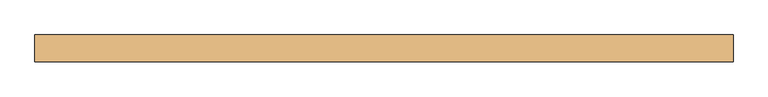
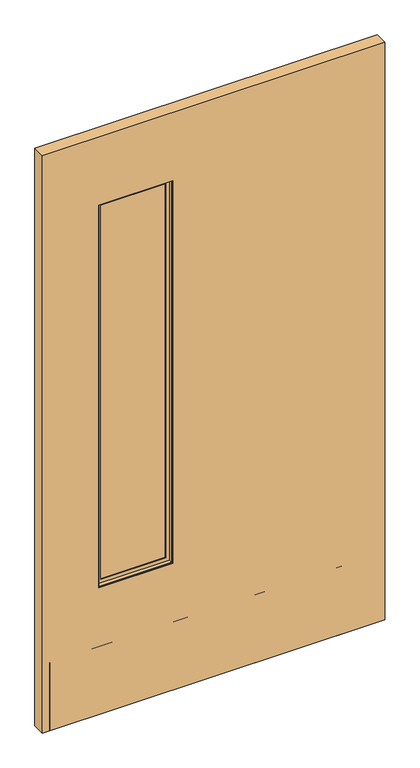
"""IFC4 building model written with IfcOpenShell, lengths in millimetres: door geometry."""

from ifc_helpers import new_model, si_unit, frame, origin, place, context, project, spatial, polyline, outline, extrude, faceted_brep, source, transform, mapped, element, save


def door_7840636e(model_context):
    return source(origin(), model_context, "Body", "SolidModel", [
        extrude(outline(polyline([(-143.7464326, 3.175), (-143.7464326, -3.175), (-405.3664326, -3.175), (-405.3664326, 3.175), (-143.7464326, 3.175)])), frame((0.0, 0.0, 486.1435027), z_axis=(0.0, 0.0, 1.0), x_axis=(1.0, 0.0, 0.0)), (0.0, 0.0, 1.0), 1430.02),
        faceted_brep([(-389.4758536, -3.797467, 1900.2729238), (-389.4758536, -6.9755828, 1900.2729238), (-389.4758536, -6.9755828, 502.0340817), (-389.4758536, -3.797467, 502.0340817), (-159.6370115, -6.9755828, 502.0340817), (-159.6370115, -3.797467, 502.0340817), (-146.9245484, -6.9755828, 489.3216185), (-146.9245484, -6.9755828, 1912.9853869), (-402.1883168, -6.9755828, 1912.9853869), (-402.1883168, -6.9755828, 489.3216185), (-159.6370115, -6.9755828, 1900.2729238), (-159.6370115, -3.797467, 1900.2729238), (-405.3664326, -3.797467, 486.1435027), (-405.3664326, -3.797467, 1916.1635027), (-143.7464326, -3.797467, 1916.1635027), (-143.7464326, -3.797467, 486.1435027), (-405.3664326, -19.688046, 1916.1635027), (-405.3664326, -19.688046, 486.1435027), (-143.7464326, -19.688046, 486.1435027), (-143.7464326, -19.688046, 1916.1635027), (-402.1883168, -19.688046, 489.3216185), (-402.1883168, -19.688046, 1912.9853869), (-146.9245484, -19.688046, 1912.9853869), (-146.9245484, -19.688046, 489.3216185)], [[[0, 1, 2, 3]], [[3, 2, 4, 5]], [[6, 7, 8, 9], [2, 1, 10, 4]], [[5, 4, 10, 11]], [[12, 13, 14, 15], [5, 11, 0, 3]], [[16, 13, 12, 17]], [[17, 12, 15, 18]], [[18, 15, 14, 19]], [[18, 19, 16, 17], [20, 21, 22, 23]], [[8, 21, 20, 9]], [[9, 20, 23, 6]], [[6, 23, 22, 7]], [[11, 10, 1, 0]], [[19, 14, 13, 16]], [[7, 22, 21, 8]]]),
        faceted_brep([(-402.1883168, 19.688046, 1912.9853869), (-402.1883168, 6.9755828, 1912.9853869), (-402.1883168, 6.9755828, 489.3216185), (-402.1883168, 19.688046, 489.3216185), (-146.9245484, 6.9755828, 489.3216185), (-146.9245484, 19.688046, 489.3216185), (-146.9245484, 6.9755828, 1912.9853869), (-159.6370115, 6.9755828, 502.0340817), (-159.6370115, 6.9755828, 1900.2729238), (-389.4758536, 6.9755828, 1900.2729238), (-389.4758536, 6.9755828, 502.0340817), (-146.9245484, 19.688046, 1912.9853869), (-405.3664326, 19.688046, 486.1435027), (-405.3664326, 19.688046, 1916.1635027), (-143.7464326, 19.688046, 1916.1635027), (-143.7464326, 19.688046, 486.1435027), (-405.3664326, 3.797467, 1916.1635027), (-405.3664326, 3.797467, 486.1435027), (-143.7464326, 3.797467, 486.1435027), (-143.7464326, 3.797467, 1916.1635027), (-389.4758536, 3.797467, 502.0340817), (-389.4758536, 3.797467, 1900.2729238), (-159.6370115, 3.797467, 1900.2729238), (-159.6370115, 3.797467, 502.0340817)], [[[0, 1, 2, 3]], [[3, 2, 4, 5]], [[2, 1, 6, 4], [7, 8, 9, 10]], [[5, 4, 6, 11]], [[12, 13, 14, 15], [5, 11, 0, 3]], [[16, 13, 12, 17]], [[17, 12, 15, 18]], [[18, 15, 14, 19]], [[18, 19, 16, 17], [20, 21, 22, 23]], [[9, 21, 20, 10]], [[10, 20, 23, 7]], [[7, 23, 22, 8]], [[11, 6, 1, 0]], [[19, 14, 13, 16]], [[8, 22, 21, 9]]]),
        extrude(outline(polyline([(2170.1635027, 604.7564326), (2170.1635027, -604.7564326), (12.7, -604.7564326), (12.7, 604.7564326), (2170.1635027, 604.7564326)]), holes=[polyline([(1916.1635027, -405.3664326), (1916.1635027, -143.7464326), (486.1435027, -143.7464326), (486.1435027, -405.3664326), (1916.1635027, -405.3664326)])]), frame((0.0, -23.114, 0.0), z_axis=(0.0, 1.0, 0.0), x_axis=(0.0, 0.0, 1.0)), (0.0, 0.0, 1.0), 46.228),
        extrude(outline(polyline([(579.3564326, -9.8925062), (579.3564326, -11.4927062), (-579.3564326, -11.4927062), (-579.3564326, -9.8925062), (579.3564326, -9.8925062)])), frame((0.0, 0.0, 12.7), z_axis=(0.0, 0.0, 1.0), x_axis=(1.0, 0.0, 0.0)), (0.0, 0.0, 1.0), 254.0),
        extrude(outline(polyline([(579.3564326, -21.5634094), (579.3564326, -23.114), (-579.3564326, -23.114), (-579.3564326, -21.5634094), (579.3564326, -21.5634094)])), frame((0.0, 0.0, 12.7), z_axis=(0.0, 0.0, 1.0), x_axis=(1.0, 0.0, 0.0)), (0.0, 0.0, 1.0), 254.0),
    ])


if __name__ == "__main__":
    model = new_model("IFC4")
    model_context = context("Model", 3, world=origin())
    ifc_project = project(units=[si_unit("LENGTHUNIT", "METRE", prefix="MILLI")], contexts=[model_context])
    site = spatial("IfcSite", under=ifc_project)
    building = spatial("IfcBuilding", under=site)
    placement = place(None, origin())
    door_shape = door_7840636e(model_context)
    element("IfcDoor", 1, at=placement, inside=building, context=model_context, shape_type="MappedRepresentation", body=[
        mapped(door_shape, transform((0.0, 0.0, 0.0), x_axis=(1.0, 0.0, 0.0), y_axis=(0.0, 1.0, 0.0), z_axis=(0.0, 0.0, 1.0))),
    ])
    save(model, "model.ifc")
